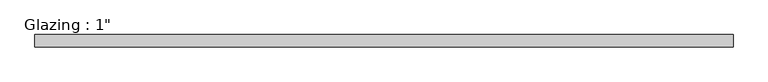
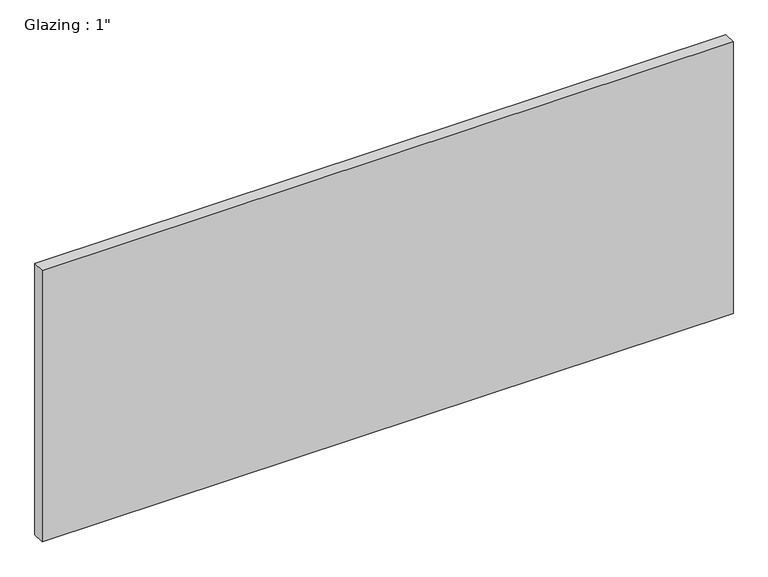
"""IFC4 building model written with IfcOpenShell, lengths in millimetres: plate geometry."""

from ifc_helpers import new_model, si_unit, origin, origin_with_axes, place, context, project, spatial, polyline, outline, extrude, source, transform, mapped, element, save


def plate_04a8a5eb(model_context):
    return source(origin(), model_context, "Body", "SweptSolid", [
        extrude(outline(polyline([(710.5540109, -12.7), (-710.5540109, -12.7), (-710.5540109, 12.7), (710.5540109, 12.7), (710.5540109, -12.7)])), origin_with_axes(), (0.0, 0.0, 1.0), 590.5497736),
    ])


if __name__ == "__main__":
    model = new_model("IFC4")
    model_context = context("Model", 3, world=origin())
    ifc_project = project(units=[si_unit("LENGTHUNIT", "METRE", prefix="MILLI")], contexts=[model_context])
    site = spatial("IfcSite", under=ifc_project)
    building = spatial("IfcBuilding", under=site)
    placement = place(None, origin())
    plate_shape = plate_04a8a5eb(model_context)
    element("IfcPlate", 1, ObjectType="Glazing : 1\"", at=placement, inside=building, context=model_context, shape_type="MappedRepresentation", body=[
        mapped(plate_shape, transform((0.0, 0.0, 0.0), x_axis=(1.0, 0.0, 0.0), y_axis=(0.0, 1.0, 0.0), z_axis=(0.0, 0.0, 1.0))),
    ])
    save(model, "model.ifc")
